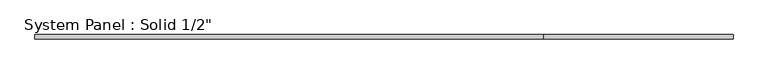
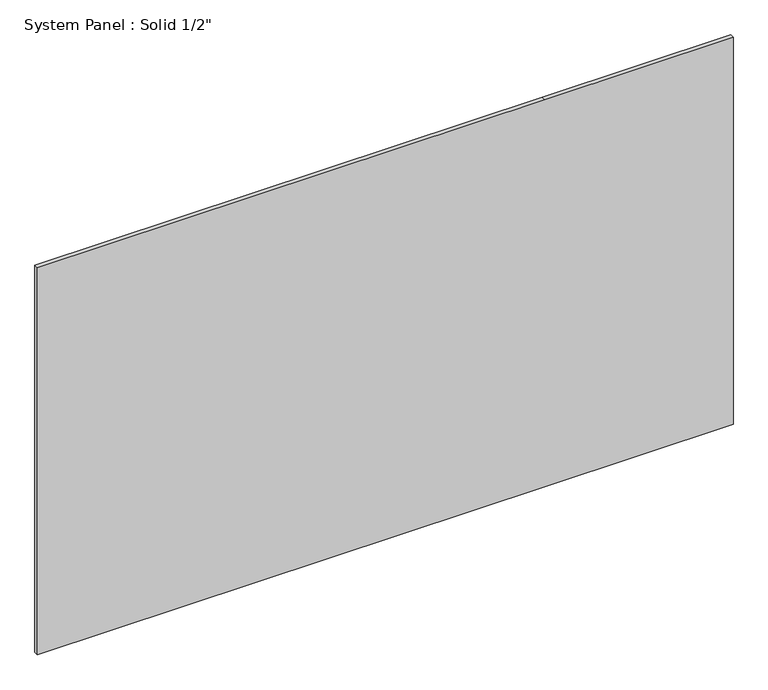
"""IFC4 building model written with IfcOpenShell, lengths in millimetres: plate geometry."""

import ifcopenshell
import ifcopenshell.guid

model = None  # the IFC model being written
_history = None  # IfcOwnerHistory: only IFC2X3 demands one
_inside = {}  # id of a spatial element -> (the spatial element, [elements in it])
_under = {}  # id of a project, library or spatial element -> (it, [spatial elements below it])
_declared = {}  # id of a project -> (the project, [libraries it declares])
_typed = {}  # id of a type object -> (the type object, [elements of that type])
_made_of = {}  # id of a material, layer set ... -> (it, [elements and type objects made of it])


def new_model(schema):
    """Start an empty IFC model of exactly this schema.

    Asked for "IFC4X3", IfcOpenShell would pick the latest addendum, in which some entities
    have other attributes; the version numbers below select the first issue.
    IFC2X3 requires an IfcOwnerHistory on every rooted entity: one is made here for all.
    """
    global model, _history
    if schema == "IFC4X3":
        model = ifcopenshell.file(schema_version=(4, 3, 0, 0))
    else:
        model = ifcopenshell.file(schema=schema)
    _inside.clear()
    _under.clear()
    _declared.clear()
    _typed.clear()
    _made_of.clear()
    _history = None
    if model.schema == "IFC2X3":
        org = make("IfcOrganization", Name="unknown")
        user = make(
            "IfcPersonAndOrganization",
            ThePerson=make("IfcPerson", FamilyName="unknown"),
            TheOrganization=org,
        )
        app = make(
            "IfcApplication",
            ApplicationDeveloper=org,
            Version="unknown",
            ApplicationFullName="unknown",
            ApplicationIdentifier="unknown",
        )
        _history = make(
            "IfcOwnerHistory",
            OwningUser=user,
            OwningApplication=app,
            ChangeAction="ADDED",
            CreationDate=0,
        )
    return model


def make(cls, **values):
    """One entity of the class cls with the attributes given. An attribute that is None is left unset."""
    return model.create_entity(
        cls, **{name: value for name, value in values.items() if value is not None}
    )


def rooted(cls, **values):
    """An entity with a GlobalId (a new one), such as an element, a storey or a relation."""
    return make(cls, GlobalId=ifcopenshell.guid.new(), OwnerHistory=_history, **values)


def si_unit(unit_type, name, prefix=None):
    """IfcSIUnit, for example si_unit("LENGTHUNIT", "METRE", prefix="MILLI")."""
    return make("IfcSIUnit", UnitType=unit_type, Prefix=prefix, Name=name)


def assignment(units):
    """IfcUnitAssignment: the units of a project."""
    return None if units is None else make("IfcUnitAssignment", Units=units)


def point(xyz):
    """IfcCartesianPoint."""
    return None if xyz is None else make("IfcCartesianPoint", Coordinates=xyz)


def direction(xyz):
    """IfcDirection."""
    return None if xyz is None else make("IfcDirection", DirectionRatios=xyz)


def frame(location, z_axis=None, x_axis=None):
    """IfcAxis2Placement3D, a coordinate frame: its origin and axes. An axis left out is left unset."""
    return make(
        "IfcAxis2Placement3D",
        Location=point(location),
        Axis=direction(z_axis),
        RefDirection=direction(x_axis),
    )


def origin():
    """The frame at (0, 0, 0) with its axes left unset."""
    return frame((0.0, 0.0, 0.0))


def place(relative_to, where):
    """IfcLocalPlacement: puts the frame where relative to a parent placement (None: the world)."""
    return make(
        "IfcLocalPlacement", PlacementRelTo=relative_to, RelativePlacement=where
    )


def context(
    kind, dimensions, precision=None, world=None, true_north=None, identifier=None
):
    """IfcGeometricRepresentationContext, for example the 3D "Model" context."""
    return make(
        "IfcGeometricRepresentationContext",
        ContextIdentifier=identifier,
        ContextType=kind,
        CoordinateSpaceDimension=dimensions,
        Precision=precision,
        WorldCoordinateSystem=world,
        TrueNorth=true_north,
    )


def project(units=None, contexts=None):
    """IfcProject with its units and contexts."""
    return rooted(
        "IfcProject",
        Name="project",
        RepresentationContexts=contexts,
        UnitsInContext=assignment(units),
    )


def spatial(cls, under=None, at=None, **own):
    """A site, building, storey or space (cls), placed at a placement, below another one or the project."""
    s = rooted(cls, ObjectPlacement=at, **own)
    if under is not None:
        _under.setdefault(under.id(), (under, []))[1].append(s)
    return s


def polyline(points):
    """IfcPolyline through the points."""
    return make("IfcPolyline", Points=[point(p) for p in points])


def outline(outer, holes=None, kind="AREA"):
    """IfcArbitraryClosedProfileDef: a profile drawn as a closed curve; with holes, ...WithVoids."""
    if holes is None:
        return make("IfcArbitraryClosedProfileDef", ProfileType=kind, OuterCurve=outer)
    return make(
        "IfcArbitraryProfileDefWithVoids",
        ProfileType=kind,
        OuterCurve=outer,
        InnerCurves=holes,
    )


def extrude(swept, where, along, depth):
    """IfcExtrudedAreaSolid: the profile swept, set in the frame where, extruded along a direction by depth."""
    return make(
        "IfcExtrudedAreaSolid",
        SweptArea=swept,
        Position=where,
        ExtrudedDirection=direction(along),
        Depth=depth,
    )


def shape(context_of_items, identifier, shape_type, items):
    """IfcShapeRepresentation: the items that make up one representation, for example the "Body"."""
    return make(
        "IfcShapeRepresentation",
        ContextOfItems=context_of_items,
        RepresentationIdentifier=identifier,
        RepresentationType=shape_type,
        Items=items,
    )


def source(mapping_origin, context_of_items, identifier, shape_type, items):
    """IfcRepresentationMap: a shape defined once, which mapped items show again and again."""
    return make(
        "IfcRepresentationMap",
        MappingOrigin=mapping_origin,
        MappedRepresentation=shape(context_of_items, identifier, shape_type, items),
    )


def transform(
    local_origin,
    x_axis=None,
    y_axis=None,
    z_axis=None,
    scale=None,
    scale2=None,
    scale3=None,
    uniform=True,
):
    """IfcCartesianTransformationOperator3D, or its non-uniform kind. x_axis, y_axis, z_axis: its Axis1, 2, 3."""
    if uniform:
        return make(
            "IfcCartesianTransformationOperator3D",
            Axis1=direction(x_axis),
            Axis2=direction(y_axis),
            LocalOrigin=point(local_origin),
            Scale=scale,
            Axis3=direction(z_axis),
        )
    return make(
        "IfcCartesianTransformationOperator3DnonUniform",
        Axis1=direction(x_axis),
        Axis2=direction(y_axis),
        LocalOrigin=point(local_origin),
        Scale=scale,
        Axis3=direction(z_axis),
        Scale2=scale2,
        Scale3=scale3,
    )


def mapped(mapping_source, mapping_target):
    """IfcMappedItem: shows the shape of a source again, moved by a transform."""
    return make(
        "IfcMappedItem", MappingSource=mapping_source, MappingTarget=mapping_target
    )


def made_of(thing, what):
    """Note that an element or type object is made of a material, layer set ...; save() writes the relation."""
    if what is not None:
        _made_of.setdefault(what.id(), (what, []))[1].append(thing)
    return thing


def element(
    cls,
    number,
    at=None,
    inside=None,
    cuts=None,
    type_object=None,
    material=None,
    context=None,
    identifier="Body",
    shape_type=None,
    held_by="IfcProductDefinitionShape",
    body=None,
    shapes=None,
    **own,
):
    """One element of the class cls, such as IfcWall. Its Tag is "e" and its number.

    at: its placement. inside: the storey or other place that contains it. cuts: it is an
    opening in that element (IfcRelVoidsElement). A single representation is given by context,
    identifier, shape_type and body (its items); several are given by shapes. held_by: the class
    of the entity that holds the representations. save() writes the other relations.
    """
    e = rooted(cls, Tag="e%d" % number, ObjectPlacement=at, **own)
    if body is not None:
        shapes = [shape(context, identifier, shape_type, body)]
    if shapes is not None:
        e.Representation = make(held_by, Representations=shapes)
    if inside is not None:
        _inside.setdefault(inside.id(), (inside, []))[1].append(e)
    if cuts is not None:
        rooted(
            "IfcRelVoidsElement", RelatingBuildingElement=cuts, RelatedOpeningElement=e
        )
    if type_object is not None:
        _typed.setdefault(type_object.id(), (type_object, []))[1].append(e)
    return made_of(e, material)


def aggregate(whole, parts):
    """IfcRelAggregates: a whole, such as a stair, and the parts it consists of."""
    return rooted("IfcRelAggregates", RelatingObject=whole, RelatedObjects=parts)


def save(model, path):
    """Write the relations noted so far, then the file.

    IfcRelAggregates (storeys below a building ...), IfcRelContainedInSpatialStructure (elements
    in a storey), IfcRelDefinesByType, IfcRelAssociatesMaterial and IfcRelDeclares: one each for
    every whole, place, type object, material and project.
    """
    for whole, parts in _under.values():
        aggregate(whole, parts)
    for where, things in _inside.values():
        rooted(
            "IfcRelContainedInSpatialStructure",
            RelatedElements=things,
            RelatingStructure=where,
        )
    for kind, things in _typed.values():
        rooted("IfcRelDefinesByType", RelatedObjects=things, RelatingType=kind)
    for what, things in _made_of.values():
        rooted("IfcRelAssociatesMaterial", RelatedObjects=things, RelatingMaterial=what)
    for by, libraries in _declared.values():
        rooted("IfcRelDeclares", RelatingContext=by, RelatedDefinitions=libraries)
    model.write(path)


def plate_597cb87c(model_context):
    return source(origin(), model_context, "Body", "SweptSolid", [
        extrude(outline(polyline([(0.0, -1042.5473053), (0.0, 477.3973053), (0.0, 1042.5473053), (1226.0492781, 1042.5473053), (1226.0492781, 477.3973053), (1226.0492781, -1042.5473053), (0.0, -1042.5473053)])), frame((0.0, -6.35, 0.0), z_axis=(0.0, 1.0, 0.0), x_axis=(0.0, 0.0, 1.0)), (0.0, 0.0, 1.0), 12.7),
    ])


if __name__ == "__main__":
    model = new_model("IFC4")
    model_context = context("Model", 3, world=origin())
    ifc_project = project(units=[si_unit("LENGTHUNIT", "METRE", prefix="MILLI")], contexts=[model_context])
    site = spatial("IfcSite", under=ifc_project)
    building = spatial("IfcBuilding", under=site)
    placement = place(None, origin())
    plate_shape = plate_597cb87c(model_context)
    element("IfcPlate", 1, ObjectType="System Panel : Solid 1/2\"", at=placement, inside=building, context=model_context, shape_type="MappedRepresentation", body=[
        mapped(plate_shape, transform((0.0, 0.0, 0.0), x_axis=(1.0, 0.0, 0.0), y_axis=(0.0, 1.0, 0.0), z_axis=(0.0, 0.0, 1.0))),
    ])
    save(model, "model.ifc")
